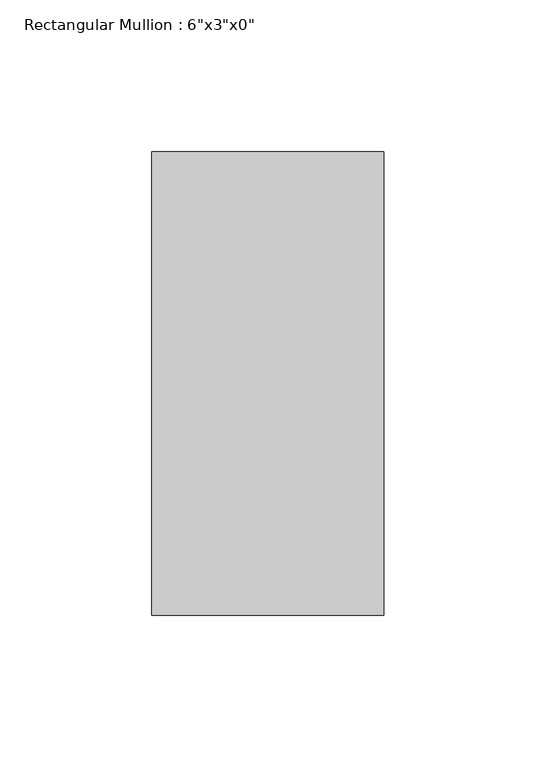
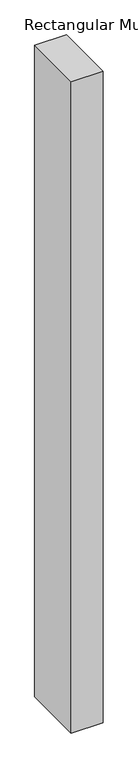
"""IFC4 building model written with IfcOpenShell, lengths in millimetres: member geometry."""

from ifc_helpers import new_model, si_unit, frame, origin, place, context, project, spatial, polyline, outline, extrude, source, transform, mapped, element, save


def member_1976bfe3(model_context):
    return source(origin(), model_context, "Body", "SweptSolid", [
        extrude(outline(polyline([(38.1, 76.2), (38.1, -76.2), (-38.1, -76.2), (-38.1, 76.2), (38.1, 76.2)])), frame((0.0, 0.0, -1657.35), z_axis=(0.0, 0.0, 1.0), x_axis=(1.0, 0.0, 0.0)), (0.0, 0.0, 1.0), 1657.35),
    ])


if __name__ == "__main__":
    model = new_model("IFC4")
    model_context = context("Model", 3, world=origin())
    ifc_project = project(units=[si_unit("LENGTHUNIT", "METRE", prefix="MILLI")], contexts=[model_context])
    site = spatial("IfcSite", under=ifc_project)
    building = spatial("IfcBuilding", under=site)
    placement = place(None, origin())
    member_shape = member_1976bfe3(model_context)
    element("IfcMember", 1, ObjectType="Rectangular Mullion : 6\"x3\"x0\"", at=placement, inside=building, context=model_context, shape_type="MappedRepresentation", body=[
        mapped(member_shape, transform((0.0, 0.0, 0.0), x_axis=(1.0, 0.0, 0.0), y_axis=(0.0, 1.0, 0.0), z_axis=(0.0, 0.0, 1.0))),
    ])
    save(model, "model.ifc")
